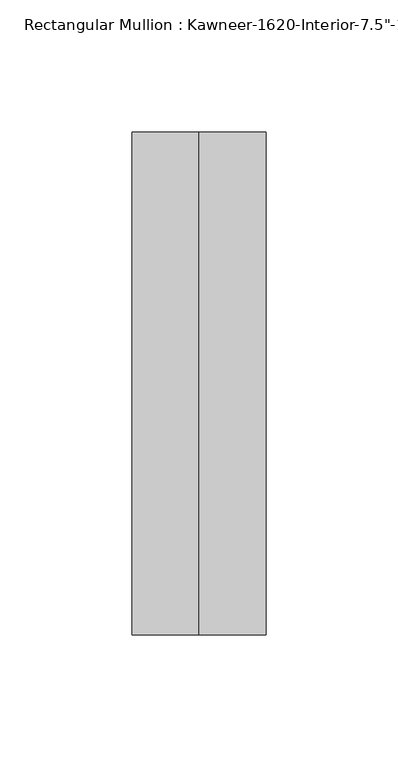
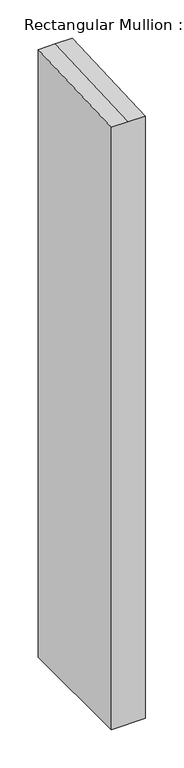
"""IFC4 building model written with IfcOpenShell, lengths in millimetres: member geometry."""

from ifc_helpers import new_model, si_unit, origin, place, context, project, spatial, faceted_brep, source, transform, mapped, element, save


def member_c9b43ebc(model_context):
    return source(origin(), model_context, "Body", "Brep", [
        faceted_brep([(25.4, -152.4, -964.7077597), (-25.4, -152.4, -964.7077597), (-25.4, 38.1, -964.7077597), (25.4, 38.1, -964.7077597), (25.4, 38.1, 1.6634819), (25.4, -152.4, -6.6539277), (-25.4, 38.1, 1.6634819), (0.0, 38.1, 1.6634819), (-25.4, -152.4, -6.6539277), (0.0, -152.4, -6.6539277)], [[[0, 1, 2, 3]], [[4, 5, 0, 3]], [[6, 7, 4, 3, 2]], [[8, 6, 2, 1]], [[5, 9, 8, 1, 0]], [[5, 4, 7, 9]], [[7, 6, 8, 9]]]),
    ])


if __name__ == "__main__":
    model = new_model("IFC4")
    model_context = context("Model", 3, world=origin())
    ifc_project = project(units=[si_unit("LENGTHUNIT", "METRE", prefix="MILLI")], contexts=[model_context])
    site = spatial("IfcSite", under=ifc_project)
    building = spatial("IfcBuilding", under=site)
    placement = place(None, origin())
    member_shape = member_c9b43ebc(model_context)
    element("IfcMember", 1, ObjectType="Rectangular Mullion : Kawneer-1620-Interior-7.5\"-1\"Infill", at=placement, inside=building, context=model_context, shape_type="MappedRepresentation", body=[
        mapped(member_shape, transform((0.0, 0.0, 0.0), x_axis=(1.0, 0.0, 0.0), y_axis=(0.0, 1.0, 0.0), z_axis=(0.0, 0.0, 1.0))),
    ])
    save(model, "model.ifc")
